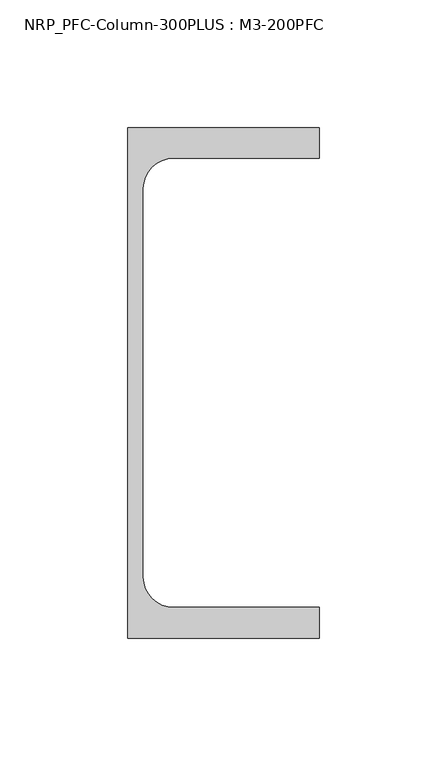
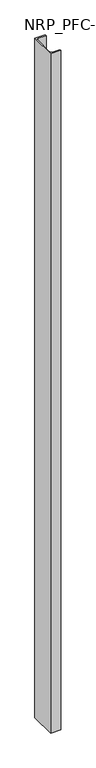
"""IFC4 building model written with IfcOpenShell, lengths in millimetres: column geometry, NRP_PFC-Column-300PLUS : M3-200PFC."""

from ifc_helpers import new_model, si_unit, point, frame, frame_2d, origin, place, context, project, spatial, polyline, circle_curve, trimmed, segment, composite_curve, outline, extrude, source, transform, mapped, element, save


def nrp_pfc_column_300plus_m3_200pfc_a3dffb91(model_context):
    return source(origin(), model_context, "Body", "SweptSolid", [
        extrude(outline(composite_curve([segment(polyline([(73.1, 100.0), (73.1, 88.0), (16.1, 88.0)]), True, "CONTINUOUS"), segment(trimmed(circle_curve(frame_2d((16.1, 76.0)), 12.0), [point((16.1, 88.0))], [point((4.1, 76.0))], True, "CARTESIAN"), True, "CONTINUOUS"), segment(polyline([(4.1, 76.0), (4.1, -76.0)]), True, "CONTINUOUS"), segment(trimmed(circle_curve(frame_2d((16.1, -76.0)), 12.0), [point((4.1, -76.0))], [point((16.1, -88.0))], True, "CARTESIAN"), True, "CONTINUOUS"), segment(polyline([(16.1, -88.0), (73.1, -88.0), (73.1, -100.0), (-1.9, -100.0), (-1.9, 100.0), (73.1, 100.0)]), True, "CONTINUOUS")], self_intersect=False)), frame((0.0, 0.0, 46800.0), z_axis=(0.0, 0.0, 1.0), x_axis=(1.0, 0.0, 0.0)), (0.0, 0.0, 1.0), 5300.0),
    ])


if __name__ == "__main__":
    model = new_model("IFC4")
    model_context = context("Model", 3, world=origin())
    ifc_project = project(units=[si_unit("LENGTHUNIT", "METRE", prefix="MILLI")], contexts=[model_context])
    site = spatial("IfcSite", under=ifc_project)
    building = spatial("IfcBuilding", under=site)
    placement = place(None, origin())
    nrp_pfc_column_300plus_m3_200pfc_shape = nrp_pfc_column_300plus_m3_200pfc_a3dffb91(model_context)
    element("IfcColumn", 1, ObjectType="NRP_PFC-Column-300PLUS : M3-200PFC", at=placement, inside=building, context=model_context, shape_type="MappedRepresentation", body=[
        mapped(nrp_pfc_column_300plus_m3_200pfc_shape, transform((0.0, 0.0, 0.0), x_axis=(1.0, 0.0, 0.0), y_axis=(0.0, 1.0, 0.0), z_axis=(0.0, 0.0, 1.0))),
    ])
    save(model, "model.ifc")
